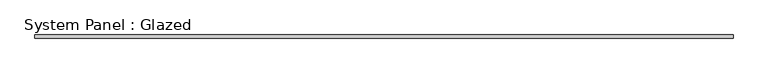
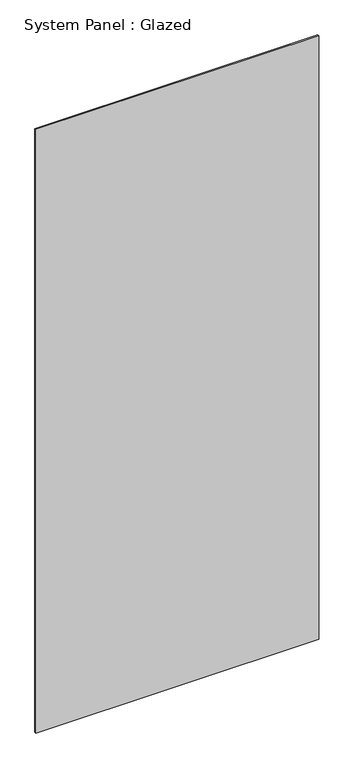
"""IFC4 building model written with IfcOpenShell, lengths in millimetres: plate geometry, System Panel : Glazed."""

from ifc_helpers import new_model, si_unit, frame, origin, place, context, project, spatial, polyline, outline, extrude, source, transform, mapped, element, save


def system_panel_glazed_f3dc424b(model_context):
    return source(origin(), model_context, "Body", "SweptSolid", [
        extrude(outline(polyline([(0.0, -586.5), (0.0, 586.5), (1283.0, 586.5), (2646.0, 586.5), (2646.0, -586.5), (1283.0, -586.5), (0.0, -586.5)])), frame((0.0, -3.0, 0.0), z_axis=(0.0, 1.0, 0.0), x_axis=(0.0, 0.0, 1.0)), (0.0, 0.0, 1.0), 6.0),
    ])


if __name__ == "__main__":
    model = new_model("IFC4")
    model_context = context("Model", 3, world=origin())
    ifc_project = project(units=[si_unit("LENGTHUNIT", "METRE", prefix="MILLI")], contexts=[model_context])
    site = spatial("IfcSite", under=ifc_project)
    building = spatial("IfcBuilding", under=site)
    placement = place(None, origin())
    system_panel_glazed_shape = system_panel_glazed_f3dc424b(model_context)
    element("IfcPlate", 1, ObjectType="System Panel : Glazed", at=placement, inside=building, context=model_context, shape_type="MappedRepresentation", body=[
        mapped(system_panel_glazed_shape, transform((0.0, 0.0, 0.0), x_axis=(1.0, 0.0, 0.0), y_axis=(0.0, 1.0, 0.0), z_axis=(0.0, 0.0, 1.0))),
    ])
    save(model, "model.ifc")
